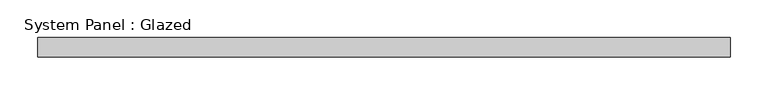
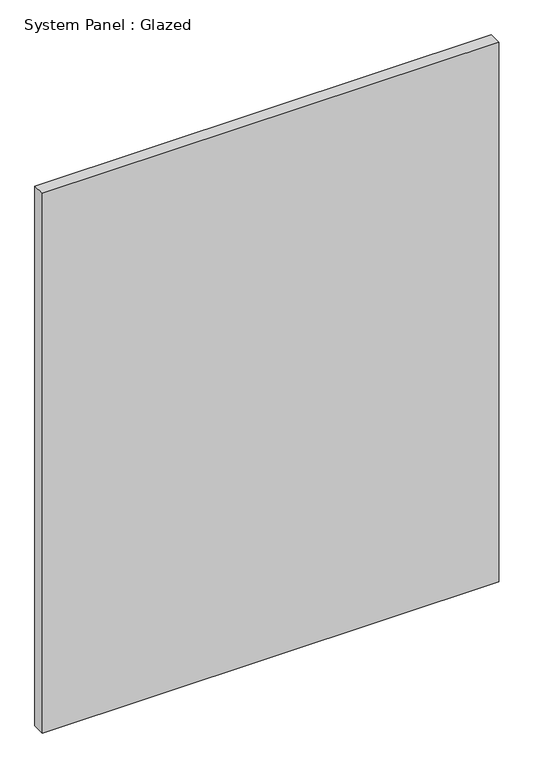
"""IFC4 building model written with IfcOpenShell, lengths in millimetres: plate geometry, System Panel : Glazed."""

from ifc_helpers import new_model, si_unit, origin, origin_with_axes, place, context, project, spatial, polyline, outline, extrude, source, transform, mapped, element, save


def system_panel_glazed_294582aa(model_context):
    return source(origin(), model_context, "Body", "SweptSolid", [
        extrude(outline(polyline([(457.2, 25.4), (-457.2, 25.4), (-457.2, 50.8), (457.2, 50.8), (457.2, 25.4)])), origin_with_axes(), (0.0, 0.0, 1.0), 1143.0),
    ])


if __name__ == "__main__":
    model = new_model("IFC4")
    model_context = context("Model", 3, world=origin())
    ifc_project = project(units=[si_unit("LENGTHUNIT", "METRE", prefix="MILLI")], contexts=[model_context])
    site = spatial("IfcSite", under=ifc_project)
    building = spatial("IfcBuilding", under=site)
    placement = place(None, origin())
    system_panel_glazed_shape = system_panel_glazed_294582aa(model_context)
    element("IfcPlate", 1, ObjectType="System Panel : Glazed", at=placement, inside=building, context=model_context, shape_type="MappedRepresentation", body=[
        mapped(system_panel_glazed_shape, transform((0.0, 0.0, 0.0), x_axis=(1.0, 0.0, 0.0), y_axis=(0.0, 1.0, 0.0), z_axis=(0.0, 0.0, 1.0))),
    ])
    save(model, "model.ifc")
